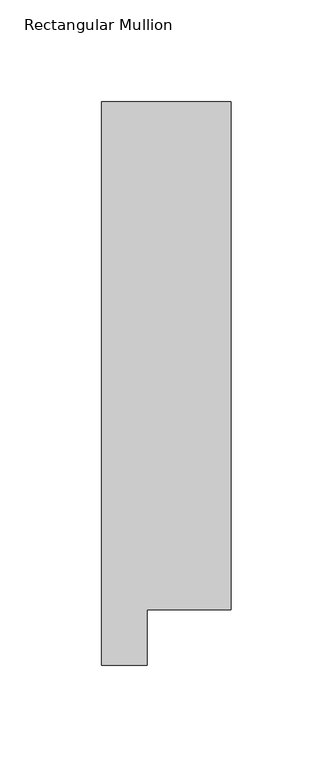
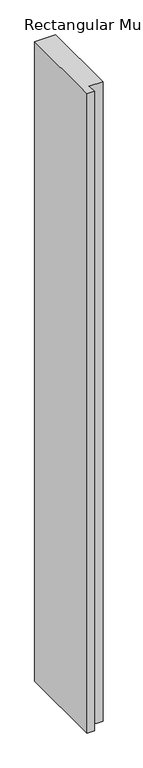
"""IFC4 building model written with IfcOpenShell, lengths in millimetres: member geometry, Rectangular Mullion."""

from ifc_helpers import new_model, si_unit, frame, origin, place, context, project, spatial, polyline, outline, extrude, source, transform, mapped, element, save


def rectangular_mullion_fb50336a(model_context):
    return source(origin(), model_context, "Body", "SweptSolid", [
        extrude(outline(polyline([(-31.75, 295.9695313), (31.75, 295.9695313), (31.75, 46.7447302), (-9.5377, 46.7447302), (-9.5377, 19.5667312), (-31.75, 19.5667312), (-31.75, 295.9695313)])), frame((0.0, 0.0, -2057.3999967), z_axis=(0.0, 0.0, 1.0), x_axis=(1.0, 0.0, 0.0)), (0.0, 0.0, 1.0), 2057.3999967),
    ])


if __name__ == "__main__":
    model = new_model("IFC4")
    model_context = context("Model", 3, world=origin())
    ifc_project = project(units=[si_unit("LENGTHUNIT", "METRE", prefix="MILLI")], contexts=[model_context])
    site = spatial("IfcSite", under=ifc_project)
    building = spatial("IfcBuilding", under=site)
    placement = place(None, origin())
    rectangular_mullion_shape = rectangular_mullion_fb50336a(model_context)
    element("IfcMember", 1, ObjectType="Rectangular Mullion", at=placement, inside=building, context=model_context, shape_type="MappedRepresentation", body=[
        mapped(rectangular_mullion_shape, transform((0.0, 0.0, 0.0), x_axis=(1.0, 0.0, 0.0), y_axis=(0.0, 1.0, 0.0), z_axis=(0.0, 0.0, 1.0))),
    ])
    save(model, "model.ifc")
